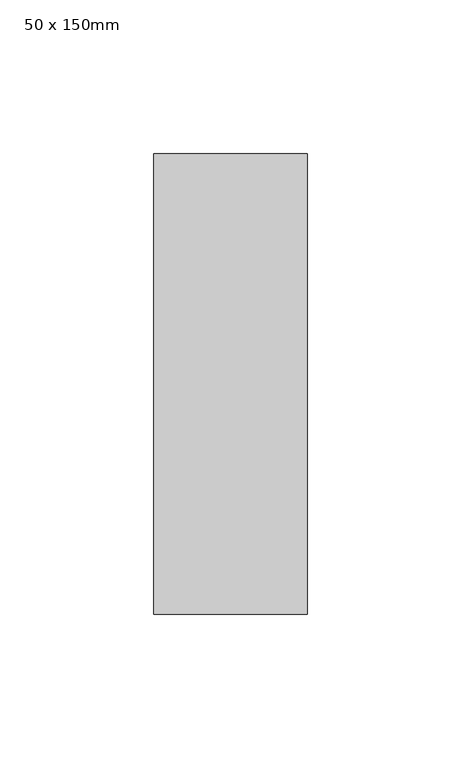
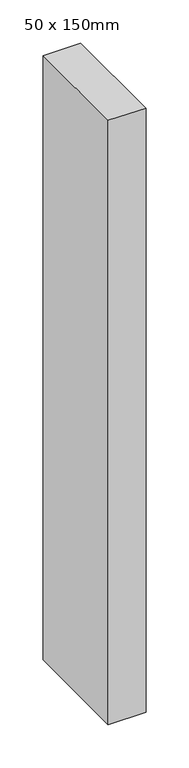
"""IFC4 building model written with IfcOpenShell, lengths in millimetres: member geometry, 50 x 150mm."""

import ifcopenshell
import ifcopenshell.guid

model = None  # the IFC model being written
_history = None  # IfcOwnerHistory: only IFC2X3 demands one
_inside = {}  # id of a spatial element -> (the spatial element, [elements in it])
_under = {}  # id of a project, library or spatial element -> (it, [spatial elements below it])
_declared = {}  # id of a project -> (the project, [libraries it declares])
_typed = {}  # id of a type object -> (the type object, [elements of that type])
_made_of = {}  # id of a material, layer set ... -> (it, [elements and type objects made of it])


def new_model(schema):
    """Start an empty IFC model of exactly this schema.

    Asked for "IFC4X3", IfcOpenShell would pick the latest addendum, in which some entities
    have other attributes; the version numbers below select the first issue.
    IFC2X3 requires an IfcOwnerHistory on every rooted entity: one is made here for all.
    """
    global model, _history
    if schema == "IFC4X3":
        model = ifcopenshell.file(schema_version=(4, 3, 0, 0))
    else:
        model = ifcopenshell.file(schema=schema)
    _inside.clear()
    _under.clear()
    _declared.clear()
    _typed.clear()
    _made_of.clear()
    _history = None
    if model.schema == "IFC2X3":
        org = make("IfcOrganization", Name="unknown")
        user = make(
            "IfcPersonAndOrganization",
            ThePerson=make("IfcPerson", FamilyName="unknown"),
            TheOrganization=org,
        )
        app = make(
            "IfcApplication",
            ApplicationDeveloper=org,
            Version="unknown",
            ApplicationFullName="unknown",
            ApplicationIdentifier="unknown",
        )
        _history = make(
            "IfcOwnerHistory",
            OwningUser=user,
            OwningApplication=app,
            ChangeAction="ADDED",
            CreationDate=0,
        )
    return model


def make(cls, **values):
    """One entity of the class cls with the attributes given. An attribute that is None is left unset."""
    return model.create_entity(
        cls, **{name: value for name, value in values.items() if value is not None}
    )


def rooted(cls, **values):
    """An entity with a GlobalId (a new one), such as an element, a storey or a relation."""
    return make(cls, GlobalId=ifcopenshell.guid.new(), OwnerHistory=_history, **values)


def si_unit(unit_type, name, prefix=None):
    """IfcSIUnit, for example si_unit("LENGTHUNIT", "METRE", prefix="MILLI")."""
    return make("IfcSIUnit", UnitType=unit_type, Prefix=prefix, Name=name)


def assignment(units):
    """IfcUnitAssignment: the units of a project."""
    return None if units is None else make("IfcUnitAssignment", Units=units)


def point(xyz):
    """IfcCartesianPoint."""
    return None if xyz is None else make("IfcCartesianPoint", Coordinates=xyz)


def direction(xyz):
    """IfcDirection."""
    return None if xyz is None else make("IfcDirection", DirectionRatios=xyz)


def frame(location, z_axis=None, x_axis=None):
    """IfcAxis2Placement3D, a coordinate frame: its origin and axes. An axis left out is left unset."""
    return make(
        "IfcAxis2Placement3D",
        Location=point(location),
        Axis=direction(z_axis),
        RefDirection=direction(x_axis),
    )


def origin():
    """The frame at (0, 0, 0) with its axes left unset."""
    return frame((0.0, 0.0, 0.0))


def place(relative_to, where):
    """IfcLocalPlacement: puts the frame where relative to a parent placement (None: the world)."""
    return make(
        "IfcLocalPlacement", PlacementRelTo=relative_to, RelativePlacement=where
    )


def context(
    kind, dimensions, precision=None, world=None, true_north=None, identifier=None
):
    """IfcGeometricRepresentationContext, for example the 3D "Model" context."""
    return make(
        "IfcGeometricRepresentationContext",
        ContextIdentifier=identifier,
        ContextType=kind,
        CoordinateSpaceDimension=dimensions,
        Precision=precision,
        WorldCoordinateSystem=world,
        TrueNorth=true_north,
    )


def project(units=None, contexts=None):
    """IfcProject with its units and contexts."""
    return rooted(
        "IfcProject",
        Name="project",
        RepresentationContexts=contexts,
        UnitsInContext=assignment(units),
    )


def spatial(cls, under=None, at=None, **own):
    """A site, building, storey or space (cls), placed at a placement, below another one or the project."""
    s = rooted(cls, ObjectPlacement=at, **own)
    if under is not None:
        _under.setdefault(under.id(), (under, []))[1].append(s)
    return s


def polyline(points):
    """IfcPolyline through the points."""
    return make("IfcPolyline", Points=[point(p) for p in points])


def outline(outer, holes=None, kind="AREA"):
    """IfcArbitraryClosedProfileDef: a profile drawn as a closed curve; with holes, ...WithVoids."""
    if holes is None:
        return make("IfcArbitraryClosedProfileDef", ProfileType=kind, OuterCurve=outer)
    return make(
        "IfcArbitraryProfileDefWithVoids",
        ProfileType=kind,
        OuterCurve=outer,
        InnerCurves=holes,
    )


def extrude(swept, where, along, depth):
    """IfcExtrudedAreaSolid: the profile swept, set in the frame where, extruded along a direction by depth."""
    return make(
        "IfcExtrudedAreaSolid",
        SweptArea=swept,
        Position=where,
        ExtrudedDirection=direction(along),
        Depth=depth,
    )


def shape(context_of_items, identifier, shape_type, items):
    """IfcShapeRepresentation: the items that make up one representation, for example the "Body"."""
    return make(
        "IfcShapeRepresentation",
        ContextOfItems=context_of_items,
        RepresentationIdentifier=identifier,
        RepresentationType=shape_type,
        Items=items,
    )


def source(mapping_origin, context_of_items, identifier, shape_type, items):
    """IfcRepresentationMap: a shape defined once, which mapped items show again and again."""
    return make(
        "IfcRepresentationMap",
        MappingOrigin=mapping_origin,
        MappedRepresentation=shape(context_of_items, identifier, shape_type, items),
    )


def transform(
    local_origin,
    x_axis=None,
    y_axis=None,
    z_axis=None,
    scale=None,
    scale2=None,
    scale3=None,
    uniform=True,
):
    """IfcCartesianTransformationOperator3D, or its non-uniform kind. x_axis, y_axis, z_axis: its Axis1, 2, 3."""
    if uniform:
        return make(
            "IfcCartesianTransformationOperator3D",
            Axis1=direction(x_axis),
            Axis2=direction(y_axis),
            LocalOrigin=point(local_origin),
            Scale=scale,
            Axis3=direction(z_axis),
        )
    return make(
        "IfcCartesianTransformationOperator3DnonUniform",
        Axis1=direction(x_axis),
        Axis2=direction(y_axis),
        LocalOrigin=point(local_origin),
        Scale=scale,
        Axis3=direction(z_axis),
        Scale2=scale2,
        Scale3=scale3,
    )


def mapped(mapping_source, mapping_target):
    """IfcMappedItem: shows the shape of a source again, moved by a transform."""
    return make(
        "IfcMappedItem", MappingSource=mapping_source, MappingTarget=mapping_target
    )


def made_of(thing, what):
    """Note that an element or type object is made of a material, layer set ...; save() writes the relation."""
    if what is not None:
        _made_of.setdefault(what.id(), (what, []))[1].append(thing)
    return thing


def element(
    cls,
    number,
    at=None,
    inside=None,
    cuts=None,
    type_object=None,
    material=None,
    context=None,
    identifier="Body",
    shape_type=None,
    held_by="IfcProductDefinitionShape",
    body=None,
    shapes=None,
    **own,
):
    """One element of the class cls, such as IfcWall. Its Tag is "e" and its number.

    at: its placement. inside: the storey or other place that contains it. cuts: it is an
    opening in that element (IfcRelVoidsElement). A single representation is given by context,
    identifier, shape_type and body (its items); several are given by shapes. held_by: the class
    of the entity that holds the representations. save() writes the other relations.
    """
    e = rooted(cls, Tag="e%d" % number, ObjectPlacement=at, **own)
    if body is not None:
        shapes = [shape(context, identifier, shape_type, body)]
    if shapes is not None:
        e.Representation = make(held_by, Representations=shapes)
    if inside is not None:
        _inside.setdefault(inside.id(), (inside, []))[1].append(e)
    if cuts is not None:
        rooted(
            "IfcRelVoidsElement", RelatingBuildingElement=cuts, RelatedOpeningElement=e
        )
    if type_object is not None:
        _typed.setdefault(type_object.id(), (type_object, []))[1].append(e)
    return made_of(e, material)


def aggregate(whole, parts):
    """IfcRelAggregates: a whole, such as a stair, and the parts it consists of."""
    return rooted("IfcRelAggregates", RelatingObject=whole, RelatedObjects=parts)


def save(model, path):
    """Write the relations noted so far, then the file.

    IfcRelAggregates (storeys below a building ...), IfcRelContainedInSpatialStructure (elements
    in a storey), IfcRelDefinesByType, IfcRelAssociatesMaterial and IfcRelDeclares: one each for
    every whole, place, type object, material and project.
    """
    for whole, parts in _under.values():
        aggregate(whole, parts)
    for where, things in _inside.values():
        rooted(
            "IfcRelContainedInSpatialStructure",
            RelatedElements=things,
            RelatingStructure=where,
        )
    for kind, things in _typed.values():
        rooted("IfcRelDefinesByType", RelatedObjects=things, RelatingType=kind)
    for what, things in _made_of.values():
        rooted("IfcRelAssociatesMaterial", RelatedObjects=things, RelatingMaterial=what)
    for by, libraries in _declared.values():
        rooted("IfcRelDeclares", RelatingContext=by, RelatedDefinitions=libraries)
    model.write(path)


def member_50_x_150mm_324a6438(model_context):
    return source(origin(), model_context, "Body", "SweptSolid", [
        extrude(outline(polyline([(0.0, 75.0), (0.0, -75.0), (-50.0, -75.0), (-50.0, 75.0), (0.0, 75.0)])), frame((0.0, 0.0, -850.0), z_axis=(0.0, 0.0, 1.0), x_axis=(1.0, 0.0, 0.0)), (0.0, 0.0, 1.0), 850.0),
    ])


if __name__ == "__main__":
    model = new_model("IFC4")
    model_context = context("Model", 3, world=origin())
    ifc_project = project(units=[si_unit("LENGTHUNIT", "METRE", prefix="MILLI")], contexts=[model_context])
    site = spatial("IfcSite", under=ifc_project)
    building = spatial("IfcBuilding", under=site)
    placement = place(None, origin())
    member_50_x_150mm_shape = member_50_x_150mm_324a6438(model_context)
    element("IfcMember", 1, ObjectType="50 x 150mm", at=placement, inside=building, context=model_context, shape_type="MappedRepresentation", body=[
        mapped(member_50_x_150mm_shape, transform((0.0, 0.0, 0.0), x_axis=(1.0, 0.0, 0.0), y_axis=(0.0, 1.0, 0.0), z_axis=(0.0, 0.0, 1.0))),
    ])
    save(model, "model.ifc")
